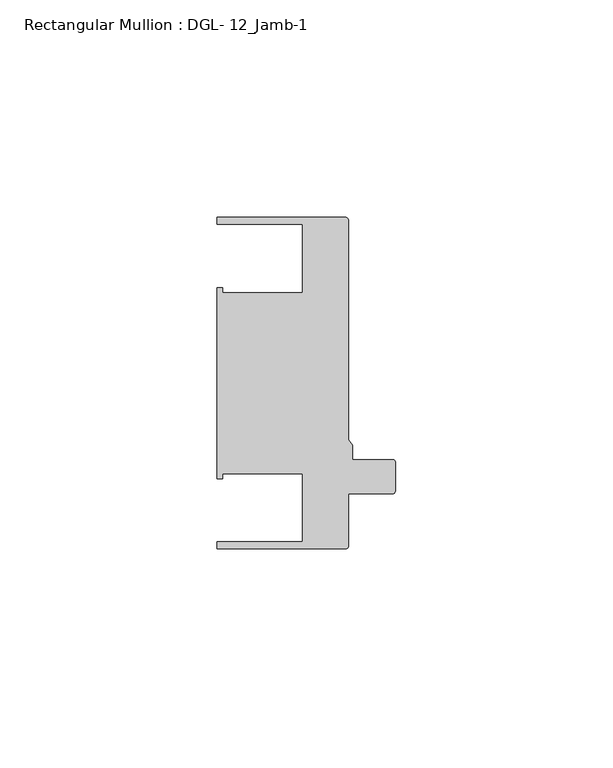
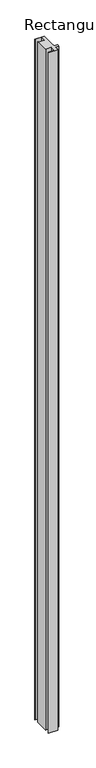
"""IFC4 building model written with IfcOpenShell, lengths in millimetres: member geometry, Rectangular Mullion : DGL- 12_Jamb-1."""

import ifcopenshell
import ifcopenshell.guid

model = None  # the IFC model being written
_history = None  # IfcOwnerHistory: only IFC2X3 demands one
_inside = {}  # id of a spatial element -> (the spatial element, [elements in it])
_under = {}  # id of a project, library or spatial element -> (it, [spatial elements below it])
_declared = {}  # id of a project -> (the project, [libraries it declares])
_typed = {}  # id of a type object -> (the type object, [elements of that type])
_made_of = {}  # id of a material, layer set ... -> (it, [elements and type objects made of it])


def new_model(schema):
    """Start an empty IFC model of exactly this schema.

    Asked for "IFC4X3", IfcOpenShell would pick the latest addendum, in which some entities
    have other attributes; the version numbers below select the first issue.
    IFC2X3 requires an IfcOwnerHistory on every rooted entity: one is made here for all.
    """
    global model, _history
    if schema == "IFC4X3":
        model = ifcopenshell.file(schema_version=(4, 3, 0, 0))
    else:
        model = ifcopenshell.file(schema=schema)
    _inside.clear()
    _under.clear()
    _declared.clear()
    _typed.clear()
    _made_of.clear()
    _history = None
    if model.schema == "IFC2X3":
        org = make("IfcOrganization", Name="unknown")
        user = make(
            "IfcPersonAndOrganization",
            ThePerson=make("IfcPerson", FamilyName="unknown"),
            TheOrganization=org,
        )
        app = make(
            "IfcApplication",
            ApplicationDeveloper=org,
            Version="unknown",
            ApplicationFullName="unknown",
            ApplicationIdentifier="unknown",
        )
        _history = make(
            "IfcOwnerHistory",
            OwningUser=user,
            OwningApplication=app,
            ChangeAction="ADDED",
            CreationDate=0,
        )
    return model


def make(cls, **values):
    """One entity of the class cls with the attributes given. An attribute that is None is left unset."""
    return model.create_entity(
        cls, **{name: value for name, value in values.items() if value is not None}
    )


def rooted(cls, **values):
    """An entity with a GlobalId (a new one), such as an element, a storey or a relation."""
    return make(cls, GlobalId=ifcopenshell.guid.new(), OwnerHistory=_history, **values)


def si_unit(unit_type, name, prefix=None):
    """IfcSIUnit, for example si_unit("LENGTHUNIT", "METRE", prefix="MILLI")."""
    return make("IfcSIUnit", UnitType=unit_type, Prefix=prefix, Name=name)


def assignment(units):
    """IfcUnitAssignment: the units of a project."""
    return None if units is None else make("IfcUnitAssignment", Units=units)


def point(xyz):
    """IfcCartesianPoint."""
    return None if xyz is None else make("IfcCartesianPoint", Coordinates=xyz)


def direction(xyz):
    """IfcDirection."""
    return None if xyz is None else make("IfcDirection", DirectionRatios=xyz)


def frame(location, z_axis=None, x_axis=None):
    """IfcAxis2Placement3D, a coordinate frame: its origin and axes. An axis left out is left unset."""
    return make(
        "IfcAxis2Placement3D",
        Location=point(location),
        Axis=direction(z_axis),
        RefDirection=direction(x_axis),
    )


def frame_2d(location, x_axis=None):
    """IfcAxis2Placement2D, a coordinate frame in the plane: its origin and x axis."""
    return make(
        "IfcAxis2Placement2D", Location=point(location), RefDirection=direction(x_axis)
    )


def origin():
    """The frame at (0, 0, 0) with its axes left unset."""
    return frame((0.0, 0.0, 0.0))


def place(relative_to, where):
    """IfcLocalPlacement: puts the frame where relative to a parent placement (None: the world)."""
    return make(
        "IfcLocalPlacement", PlacementRelTo=relative_to, RelativePlacement=where
    )


def context(
    kind, dimensions, precision=None, world=None, true_north=None, identifier=None
):
    """IfcGeometricRepresentationContext, for example the 3D "Model" context."""
    return make(
        "IfcGeometricRepresentationContext",
        ContextIdentifier=identifier,
        ContextType=kind,
        CoordinateSpaceDimension=dimensions,
        Precision=precision,
        WorldCoordinateSystem=world,
        TrueNorth=true_north,
    )


def project(units=None, contexts=None):
    """IfcProject with its units and contexts."""
    return rooted(
        "IfcProject",
        Name="project",
        RepresentationContexts=contexts,
        UnitsInContext=assignment(units),
    )


def spatial(cls, under=None, at=None, **own):
    """A site, building, storey or space (cls), placed at a placement, below another one or the project."""
    s = rooted(cls, ObjectPlacement=at, **own)
    if under is not None:
        _under.setdefault(under.id(), (under, []))[1].append(s)
    return s


def polyline(points):
    """IfcPolyline through the points."""
    return make("IfcPolyline", Points=[point(p) for p in points])


def circle_curve(where, radius):
    """IfcCircle in the frame where."""
    return make("IfcCircle", Position=where, Radius=radius)


def trimmed(basis, trim1, trim2, sense, master):
    """IfcTrimmedCurve: the piece of a basis curve between two trims."""
    return make(
        "IfcTrimmedCurve",
        BasisCurve=basis,
        Trim1=trim1,
        Trim2=trim2,
        SenseAgreement=sense,
        MasterRepresentation=master,
    )


def segment(curve, same_sense, transition):
    """IfcCompositeCurveSegment."""
    return make(
        "IfcCompositeCurveSegment",
        Transition=transition,
        SameSense=same_sense,
        ParentCurve=curve,
    )


def composite_curve(segments, self_intersect=None):
    """IfcCompositeCurve: segments joined end to end."""
    return make("IfcCompositeCurve", Segments=segments, SelfIntersect=self_intersect)


def outline(outer, holes=None, kind="AREA"):
    """IfcArbitraryClosedProfileDef: a profile drawn as a closed curve; with holes, ...WithVoids."""
    if holes is None:
        return make("IfcArbitraryClosedProfileDef", ProfileType=kind, OuterCurve=outer)
    return make(
        "IfcArbitraryProfileDefWithVoids",
        ProfileType=kind,
        OuterCurve=outer,
        InnerCurves=holes,
    )


def extrude(swept, where, along, depth):
    """IfcExtrudedAreaSolid: the profile swept, set in the frame where, extruded along a direction by depth."""
    return make(
        "IfcExtrudedAreaSolid",
        SweptArea=swept,
        Position=where,
        ExtrudedDirection=direction(along),
        Depth=depth,
    )


def shape(context_of_items, identifier, shape_type, items):
    """IfcShapeRepresentation: the items that make up one representation, for example the "Body"."""
    return make(
        "IfcShapeRepresentation",
        ContextOfItems=context_of_items,
        RepresentationIdentifier=identifier,
        RepresentationType=shape_type,
        Items=items,
    )


def source(mapping_origin, context_of_items, identifier, shape_type, items):
    """IfcRepresentationMap: a shape defined once, which mapped items show again and again."""
    return make(
        "IfcRepresentationMap",
        MappingOrigin=mapping_origin,
        MappedRepresentation=shape(context_of_items, identifier, shape_type, items),
    )


def transform(
    local_origin,
    x_axis=None,
    y_axis=None,
    z_axis=None,
    scale=None,
    scale2=None,
    scale3=None,
    uniform=True,
):
    """IfcCartesianTransformationOperator3D, or its non-uniform kind. x_axis, y_axis, z_axis: its Axis1, 2, 3."""
    if uniform:
        return make(
            "IfcCartesianTransformationOperator3D",
            Axis1=direction(x_axis),
            Axis2=direction(y_axis),
            LocalOrigin=point(local_origin),
            Scale=scale,
            Axis3=direction(z_axis),
        )
    return make(
        "IfcCartesianTransformationOperator3DnonUniform",
        Axis1=direction(x_axis),
        Axis2=direction(y_axis),
        LocalOrigin=point(local_origin),
        Scale=scale,
        Axis3=direction(z_axis),
        Scale2=scale2,
        Scale3=scale3,
    )


def mapped(mapping_source, mapping_target):
    """IfcMappedItem: shows the shape of a source again, moved by a transform."""
    return make(
        "IfcMappedItem", MappingSource=mapping_source, MappingTarget=mapping_target
    )


def made_of(thing, what):
    """Note that an element or type object is made of a material, layer set ...; save() writes the relation."""
    if what is not None:
        _made_of.setdefault(what.id(), (what, []))[1].append(thing)
    return thing


def element(
    cls,
    number,
    at=None,
    inside=None,
    cuts=None,
    type_object=None,
    material=None,
    context=None,
    identifier="Body",
    shape_type=None,
    held_by="IfcProductDefinitionShape",
    body=None,
    shapes=None,
    **own,
):
    """One element of the class cls, such as IfcWall. Its Tag is "e" and its number.

    at: its placement. inside: the storey or other place that contains it. cuts: it is an
    opening in that element (IfcRelVoidsElement). A single representation is given by context,
    identifier, shape_type and body (its items); several are given by shapes. held_by: the class
    of the entity that holds the representations. save() writes the other relations.
    """
    e = rooted(cls, Tag="e%d" % number, ObjectPlacement=at, **own)
    if body is not None:
        shapes = [shape(context, identifier, shape_type, body)]
    if shapes is not None:
        e.Representation = make(held_by, Representations=shapes)
    if inside is not None:
        _inside.setdefault(inside.id(), (inside, []))[1].append(e)
    if cuts is not None:
        rooted(
            "IfcRelVoidsElement", RelatingBuildingElement=cuts, RelatedOpeningElement=e
        )
    if type_object is not None:
        _typed.setdefault(type_object.id(), (type_object, []))[1].append(e)
    return made_of(e, material)


def aggregate(whole, parts):
    """IfcRelAggregates: a whole, such as a stair, and the parts it consists of."""
    return rooted("IfcRelAggregates", RelatingObject=whole, RelatedObjects=parts)


def save(model, path):
    """Write the relations noted so far, then the file.

    IfcRelAggregates (storeys below a building ...), IfcRelContainedInSpatialStructure (elements
    in a storey), IfcRelDefinesByType, IfcRelAssociatesMaterial and IfcRelDeclares: one each for
    every whole, place, type object, material and project.
    """
    for whole, parts in _under.values():
        aggregate(whole, parts)
    for where, things in _inside.values():
        rooted(
            "IfcRelContainedInSpatialStructure",
            RelatedElements=things,
            RelatingStructure=where,
        )
    for kind, things in _typed.values():
        rooted("IfcRelDefinesByType", RelatedObjects=things, RelatingType=kind)
    for what, things in _made_of.values():
        rooted("IfcRelAssociatesMaterial", RelatedObjects=things, RelatingMaterial=what)
    for by, libraries in _declared.values():
        rooted("IfcRelDeclares", RelatingContext=by, RelatedDefinitions=libraries)
    model.write(path)


def rectangular_mullion_dgl_12_jamb_1_ccac6ed6(model_context):
    return source(origin(), model_context, "Body", "SweptSolid", [
        extrude(outline(composite_curve([segment(polyline([(-1.718668, -25.4), (-1.718668, -37.5047035)]), True, "CONTINUOUS"), segment(trimmed(circle_curve(frame_2d((-2.3139805, -37.5047035)), 0.5953125), [point((-1.718668, -37.5047035))], [point((-2.3139805, -38.100016))], False, "CARTESIAN"), True, "CONTINUOUS"), segment(polyline([(-2.3139805, -38.100016), (-31.8684663, -38.100016), (-31.8684663, -36.512516), (-12.2156802, -36.512516), (-12.2156802, -20.8257348), (-30.6216313, -20.8257348), (-30.6216313, -21.9710976), (-31.8775606, -21.9710976), (-31.8775606, 21.9710976), (-30.6216313, 21.9710976), (-30.6216313, 20.8257348), (-12.2156802, 20.8257348), (-12.2156802, 36.512516), (-31.8684663, 36.512516), (-31.8684663, 38.0996792), (-2.3138963, 38.0996792)]), True, "CONTINUOUS"), segment(trimmed(circle_curve(frame_2d((-2.3138963, 37.5043667)), 0.5953125), [point((-2.3138963, 38.0996792))], [point((-1.7185838, 37.5043667))], False, "CARTESIAN"), True, "CONTINUOUS"), segment(polyline([(-1.7185838, 37.5043667), (-1.7185838, -12.9738568), (-0.79375, -14.2467814), (-0.79375, -17.5955253), (8.5512549, -17.5955253)]), True, "CONTINUOUS"), segment(trimmed(circle_curve(frame_2d((8.5512549, -18.1560373)), 0.560512), [point((8.5512549, -17.5955253))], [point((9.1117669, -18.1560373))], False, "CARTESIAN"), True, "CONTINUOUS"), segment(polyline([(9.1117669, -18.1560373), (9.1117669, -24.8046875)]), True, "CONTINUOUS"), segment(trimmed(circle_curve(frame_2d((8.5164544, -24.8046875)), 0.5953125), [point((9.1117669, -24.8046875))], [point((8.5164544, -25.4))], False, "CARTESIAN"), True, "CONTINUOUS"), segment(polyline([(8.5164544, -25.4), (-1.718668, -25.4)]), True, "CONTINUOUS")], self_intersect=False)), frame((0.0, 0.0, -2339.4622278), z_axis=(0.0, 0.0, 1.0), x_axis=(1.0, 0.0, 0.0)), (0.0, 0.0, 1.0), 2339.4622278),
    ])


if __name__ == "__main__":
    model = new_model("IFC4")
    model_context = context("Model", 3, world=origin())
    ifc_project = project(units=[si_unit("LENGTHUNIT", "METRE", prefix="MILLI")], contexts=[model_context])
    site = spatial("IfcSite", under=ifc_project)
    building = spatial("IfcBuilding", under=site)
    placement = place(None, origin())
    rectangular_mullion_dgl_12_jamb_1_shape = rectangular_mullion_dgl_12_jamb_1_ccac6ed6(model_context)
    element("IfcMember", 1, ObjectType="Rectangular Mullion : DGL- 12_Jamb-1", at=placement, inside=building, context=model_context, shape_type="MappedRepresentation", body=[
        mapped(rectangular_mullion_dgl_12_jamb_1_shape, transform((0.0, 0.0, 0.0), x_axis=(1.0, 0.0, 0.0), y_axis=(0.0, 1.0, 0.0), z_axis=(0.0, 0.0, 1.0))),
    ])
    save(model, "model.ifc")
